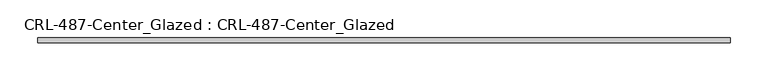
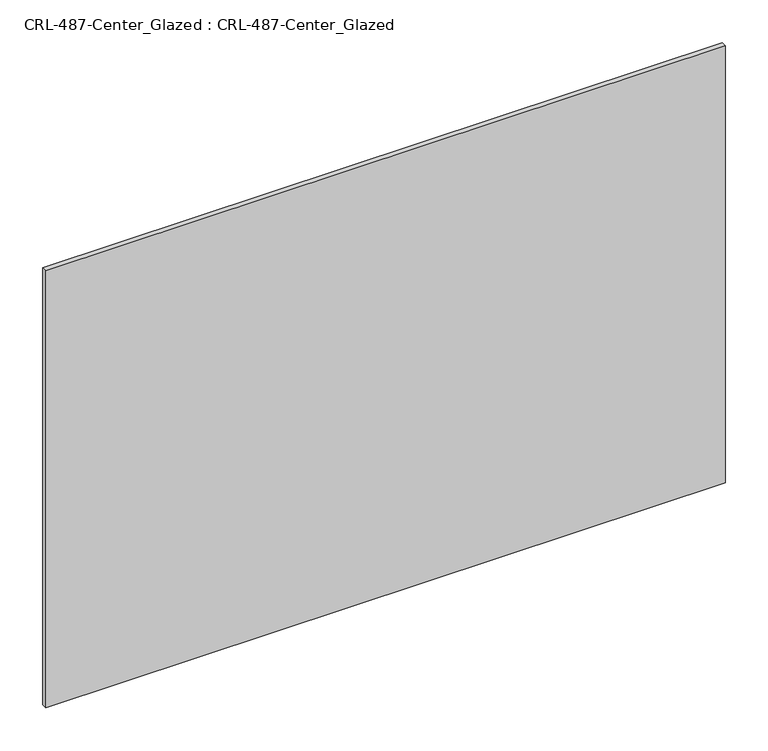
"""IFC4 building model written with IfcOpenShell, lengths in millimetres: plate geometry, CRL-487-Center_Glazed : CRL-487-Center_Glazed."""

from ifc_helpers import new_model, si_unit, origin, origin_with_axes, place, context, project, spatial, polyline, outline, extrude, source, transform, mapped, element, save


def crl_487_center_glazed_crl_487_center_glazed_c067d69e(model_context):
    return source(origin(), model_context, "Body", "SweptSolid", [
        extrude(outline(polyline([(456.4126, -3.1749999), (-456.4126, -3.1749999), (-456.4126, 3.1749999), (456.4126, 3.1749999), (456.4126, -3.1749999)])), origin_with_axes(), (0.0, 0.0, 1.0), 620.7252),
    ])


if __name__ == "__main__":
    model = new_model("IFC4")
    model_context = context("Model", 3, world=origin())
    ifc_project = project(units=[si_unit("LENGTHUNIT", "METRE", prefix="MILLI")], contexts=[model_context])
    site = spatial("IfcSite", under=ifc_project)
    building = spatial("IfcBuilding", under=site)
    placement = place(None, origin())
    crl_487_center_glazed_crl_487_center_glazed_shape = crl_487_center_glazed_crl_487_center_glazed_c067d69e(model_context)
    element("IfcPlate", 1, ObjectType="CRL-487-Center_Glazed : CRL-487-Center_Glazed", at=placement, inside=building, context=model_context, shape_type="MappedRepresentation", body=[
        mapped(crl_487_center_glazed_crl_487_center_glazed_shape, transform((0.0, 0.0, 0.0), x_axis=(1.0, 0.0, 0.0), y_axis=(0.0, 1.0, 0.0), z_axis=(0.0, 0.0, 1.0))),
    ])
    save(model, "model.ifc")
